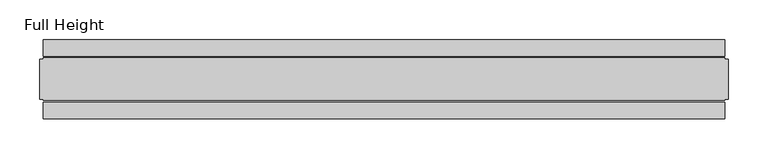
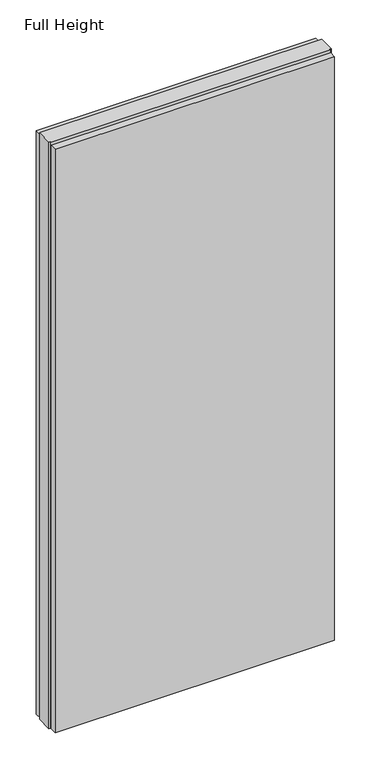
"""IFC4 building model written with IfcOpenShell, lengths in millimetres: plate geometry, Full Height."""

from ifc_helpers import new_model, si_unit, origin, origin_with_axes, place, context, project, spatial, polyline, outline, extrude, source, transform, mapped, element, save


def full_height_9adf55b9(model_context):
    return source(origin(), model_context, "Body", "SweptSolid", [
        extrude(outline(polyline([(428.0324342, 28.956), (-428.0324342, 28.956), (-428.0324342, 49.53), (428.0324342, 49.53), (428.0324342, 28.956)])), origin_with_axes(), (0.0, 0.0, 1.0), 1889.252),
        extrude(outline(polyline([(428.0324342, -28.956), (428.0324342, -49.53), (-428.0324342, -49.53), (-428.0324342, -28.956), (428.0324342, -28.956)])), origin_with_axes(), (0.0, 0.0, 1.0), 1889.252),
        extrude(outline(polyline([(428.0324342, -25.146), (428.0324342, -26.67), (-428.0324342, -26.67), (-428.0324342, -25.146), (-432.6044342, -25.146), (-432.6044342, 25.146), (-428.0324342, 25.146), (-428.0324342, 26.67), (428.0324342, 26.67), (428.0324342, 25.146), (432.6044342, 25.146), (432.6044342, -25.146), (428.0324342, -25.146)])), origin_with_axes(), (0.0, 0.0, 1.0), 1898.396),
    ])


if __name__ == "__main__":
    model = new_model("IFC4")
    model_context = context("Model", 3, world=origin())
    ifc_project = project(units=[si_unit("LENGTHUNIT", "METRE", prefix="MILLI")], contexts=[model_context])
    site = spatial("IfcSite", under=ifc_project)
    building = spatial("IfcBuilding", under=site)
    placement = place(None, origin())
    full_height_shape = full_height_9adf55b9(model_context)
    element("IfcPlate", 1, ObjectType="Full Height", at=placement, inside=building, context=model_context, shape_type="MappedRepresentation", body=[
        mapped(full_height_shape, transform((0.0, 0.0, 0.0), x_axis=(1.0, 0.0, 0.0), y_axis=(0.0, 1.0, 0.0), z_axis=(0.0, 0.0, 1.0))),
    ])
    save(model, "model.ifc")
